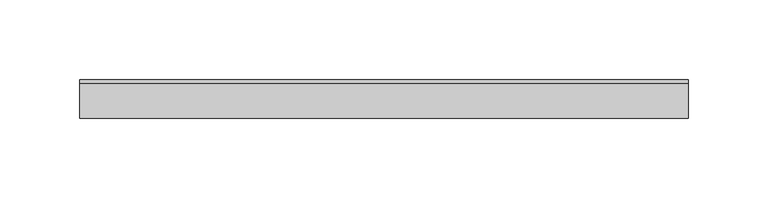
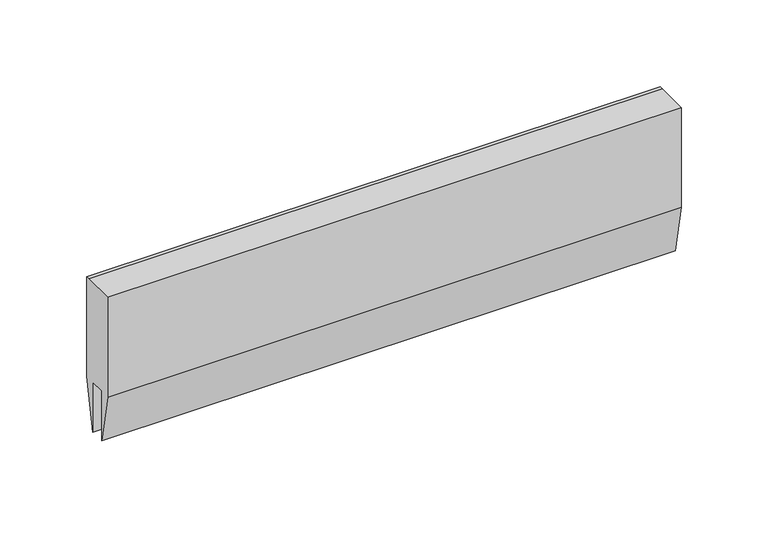
"""IFC4 building model written with IfcOpenShell, lengths in millimetres: proxy geometry."""

from ifc_helpers import new_model, si_unit, frame, origin, place, context, project, spatial, polyline, outline, extrude, source, transform, mapped, element, save


def specialty_equipment_db136767(model_context):
    return source(origin(), model_context, "Body", "SweptSolid", [
        extrude(outline(polyline([(-12.0, 49.0), (9.692747, 49.0), (12.0, 49.0), (12.0, -21.0), (5.0, -56.0), (5.0, -21.0), (-5.0, -21.0), (-5.0, -56.0), (-12.0, -21.0), (-12.0, 49.0)])), frame((-190.6588411, 0.0, 0.0), z_axis=(1.0, 0.0, 0.0), x_axis=(0.0, 1.0, 0.0)), (0.0, 0.0, 1.0), 381.3176822),
    ])


if __name__ == "__main__":
    model = new_model("IFC4")
    model_context = context("Model", 3, world=origin())
    ifc_project = project(units=[si_unit("LENGTHUNIT", "METRE", prefix="MILLI")], contexts=[model_context])
    site = spatial("IfcSite", under=ifc_project)
    building = spatial("IfcBuilding", under=site)
    placement = place(None, origin())
    specialty_equipment_shape = specialty_equipment_db136767(model_context)
    element("IfcBuildingElementProxy", 1, Name="Specialty Equipment", at=placement, inside=building, context=model_context, shape_type="MappedRepresentation", body=[
        mapped(specialty_equipment_shape, transform((0.0, 0.0, 0.0), x_axis=(1.0, 0.0, 0.0), y_axis=(0.0, 1.0, 0.0), z_axis=(0.0, 0.0, 1.0))),
    ])
    save(model, "model.ifc")
